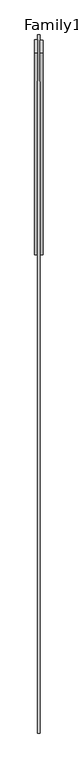
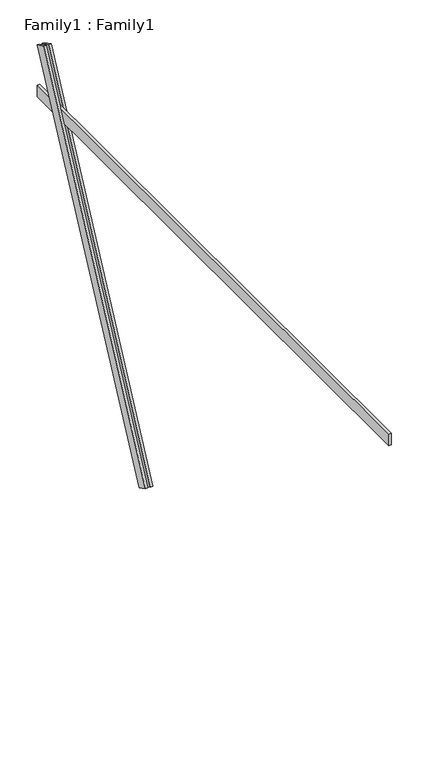
"""IFC4 building model written with IfcOpenShell, lengths in millimetres: proxy geometry, Family1 : Family1."""

from ifc_helpers import new_model, si_unit, frame, origin, place, context, project, spatial, polyline, outline, extrude, source, transform, mapped, element, save


def family1_family1_e7c24d5e(model_context):
    return source(origin(), model_context, "Body", "SweptSolid", [
        extrude(outline(polyline([(0.0, 0.0), (0.0, -20.0), (-100.0000001, -20.0), (-100.0000001, 0.0), (0.0, 0.0)])), frame((-30.0, 46.3241747, -22.5938096), z_axis=(0.0, 0.4383711467890692, 0.8987940462991711), x_axis=(0.0, 0.8987940462991711, -0.4383711467890692)), (0.0, 0.0, 1.0), 3300.0),
        extrude(outline(polyline([(0.0, 0.0), (0.0, -20.0), (-99.9999999, -20.0), (-99.9999999, 0.0), (0.0, 0.0)])), frame((10.0, 45.270232, -22.0797674), z_axis=(0.0, 0.4383711467890692, 0.8987940462991711), x_axis=(0.0, 0.8987940462991711, -0.4383711467890692)), (0.0, 0.0, 1.0), 3300.0),
        extrude(outline(polyline([(10.0, -3470.8232433), (-10.0, -3470.8232433), (-10.0, 1529.1767567), (10.0, 1529.1767567), (10.0, -3470.8232433)])), frame((0.0, 0.0, 2466.6233296), z_axis=(0.0, 0.0, 1.0), x_axis=(1.0, 0.0, 0.0)), (0.0, 0.0, 1.0), 100.0),
    ])


if __name__ == "__main__":
    model = new_model("IFC4")
    model_context = context("Model", 3, world=origin())
    ifc_project = project(units=[si_unit("LENGTHUNIT", "METRE", prefix="MILLI")], contexts=[model_context])
    site = spatial("IfcSite", under=ifc_project)
    building = spatial("IfcBuilding", under=site)
    placement = place(None, origin())
    family1_family1_shape = family1_family1_e7c24d5e(model_context)
    element("IfcBuildingElementProxy", 1, Name="Family1 : Family1", ObjectType="Family1 : Family1", at=placement, inside=building, context=model_context, shape_type="MappedRepresentation", body=[
        mapped(family1_family1_shape, transform((0.0, 0.0, 0.0), x_axis=(1.0, 0.0, 0.0), y_axis=(0.0, 1.0, 0.0), z_axis=(0.0, 0.0, 1.0))),
    ])
    save(model, "model.ifc")
